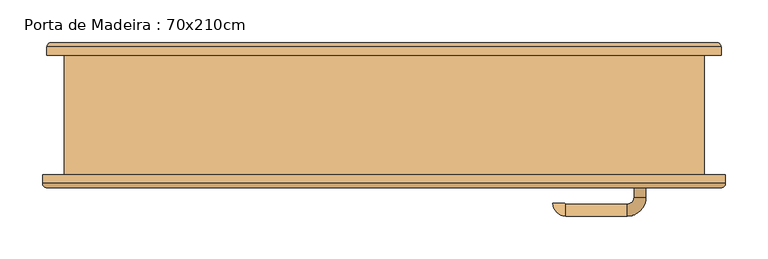
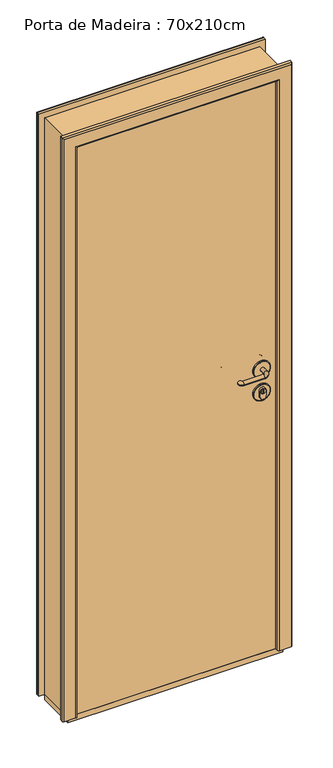
"""IFC4 building model written with IfcOpenShell, lengths in millimetres: door geometry, Porta de Madeira : 70x210cm."""

from ifc_helpers import new_model, si_unit, point, frame, origin, origin_with_axes, place, context, project, spatial, polyline, circle_curve, ellipse_curve, trimmed, outline, extrude, faceted_brep, source, transform, mapped, element, save
from ifc_brep_helpers import plane_surface, cylinder_surface, revolved_surface, advanced_brep


def porta_de_madeira_70x210cm_5615968f(model_context):
    return source(origin(), model_context, "Body", "SolidModel", [
        advanced_brep(
        [(293.0, -14.0, 1050.0), (293.0, -34.0, 1050.0), (307.0, -34.0, 1050.0), (307.0, -14.0, 1050.0), (285.0, 8.0, 1050.0), (285.0, -6.0, 1050.0), (213.0, 8.0, 1050.0), (213.0, -6.0, 1050.0), (212.0, -7.0, 1050.0), (198.0, -7.0, 1050.0), (271.0897225, -34.0, 1049.3126953), (327.0897225, -34.0, 1049.3126953), (329.0897225, -40.0, 1049.3126953), (269.0897225, -40.0, 1049.3126953), (329.0897225, -36.0, 1049.3126953), (269.0897225, -36.0, 1049.3126953)],
        [
            (0, 1),
            (1, 2, circle_curve(frame((300.0, -34.0, 1050.0), z_axis=(0.0, 1.0, 0.0), x_axis=(1.0, 0.0, 0.0)), 7.0)),
            (2, 3),
            (3, 0, circle_curve(frame((300.0, -14.0, 1050.0), z_axis=(0.0, -1.0, 0.0), x_axis=(1.0, 0.0, 0.0)), 7.0)),
            (2, 1, circle_curve(frame((300.0, -34.0, 1050.0), z_axis=(0.0, 1.0, 0.0), x_axis=(1.0, 0.0, 0.0)), 7.0)),
            (0, 3, circle_curve(frame((300.0, -14.0, 1050.0), z_axis=(0.0, -1.0, 0.0), x_axis=(1.0, 0.0, 0.0)), 7.0)),
            (3, 4, circle_curve(frame((285.0, -14.0, 1050.0), z_axis=(0.0, 0.0, 1.0), x_axis=(1.0, 0.0, 0.0)), 22.0)),
            (4, 5, circle_curve(frame((285.0, 1.0, 1050.0), z_axis=(1.0, 0.0, 0.0), x_axis=(0.0, 1.0, 0.0)), 7.0)),
            (5, 0, circle_curve(frame((285.0, -14.0, 1050.0), z_axis=(0.0, 0.0, -1.0), x_axis=(1.0, 0.0, 0.0)), 8.0)),
            (5, 4, circle_curve(frame((285.0, 1.0, 1050.0), z_axis=(1.0, 0.0, 0.0), x_axis=(0.0, 1.0, 0.0)), 7.0)),
            (4, 6),
            (6, 7, circle_curve(frame((213.0, 1.0, 1050.0), z_axis=(1.0, 0.0, 0.0), x_axis=(0.0, 1.0, 0.0)), 7.0)),
            (7, 5),
            (7, 6, circle_curve(frame((213.0, 1.0, 1050.0), z_axis=(1.0, 0.0, 0.0), x_axis=(0.0, 1.0, 0.0)), 7.0)),
            (8, 9, circle_curve(frame((205.0, -7.0, 1050.0), z_axis=(0.0, -1.0, 0.0), x_axis=(-1.0, 0.0, 0.0)), 7.0)),
            (9, 8, circle_curve(frame((205.0, -7.0, 1050.0), z_axis=(0.0, -1.0, 0.0), x_axis=(-1.0, 0.0, 0.0)), 7.0)),
            (6, 9, circle_curve(frame((213.0, -7.0, 1050.0), z_axis=(0.0, 0.0, 1.0), x_axis=(0.0, 1.0, 0.0)), 15.0)),
            (8, 7, circle_curve(frame((213.0, -7.0, 1050.0), z_axis=(0.0, 0.0, -1.0), x_axis=(0.0, 1.0, 0.0)), 1.0)),
            (10, 11, circle_curve(frame((299.0897225, -34.0, 1049.3126953), z_axis=(0.0, 1.0, 0.0), x_axis=(-1.0, 0.0, 0.0)), 28.0)),
            (11, 10, circle_curve(frame((299.0897225, -34.0, 1049.3126953), z_axis=(0.0, 1.0, 0.0), x_axis=(1.0, 0.0, 0.0)), 28.0)),
            (12, 13, circle_curve(frame((299.0897225, -40.0, 1049.3126953), z_axis=(0.0, -1.0, 0.0), x_axis=(-1.0, 0.0, 0.0)), 30.0)),
            (13, 12, circle_curve(frame((299.0897225, -40.0, 1049.3126953), z_axis=(0.0, -1.0, 0.0), x_axis=(-1.0, 0.0, 0.0)), 30.0)),
            (12, 14),
            (14, 15, circle_curve(frame((299.0897225, -36.0, 1049.3126953), z_axis=(0.0, -1.0, 0.0), x_axis=(-1.0, 0.0, 0.0)), 30.0)),
            (15, 13),
            (15, 14, circle_curve(frame((299.0897225, -36.0, 1049.3126953), z_axis=(0.0, -1.0, 0.0), x_axis=(-1.0, 0.0, 0.0)), 30.0)),
            (11, 14, circle_curve(frame((327.0897225, -36.0, 1049.3126953), z_axis=(0.0, 0.0, -1.0), x_axis=(1.0, 0.0, 0.0)), 2.0)),
            (15, 10, circle_curve(frame((271.0897225, -36.0, 1049.3126953), z_axis=(0.0, 0.0, -1.0), x_axis=(-1.0, 0.0, 0.0)), 2.0)),
        ],
        [
            cylinder_surface(frame((300.0, -40.0, 1050.0), z_axis=(0.0, -1.0, 0.0), x_axis=(1.0, 0.0, 0.0)), 7.0),
            revolved_surface(trimmed(ellipse_curve(frame((300.0, -14.0, 1050.0), z_axis=(0.0, 1.0, 0.0), x_axis=(1.0, 0.0, 0.0)), 7.0, 7.0), [point((293.0, -14.0, 1050.0))], [point((307.0, -14.0, 1050.0))], True, "CARTESIAN"), (285.0, -14.0, 1050.0), (0.0, 0.0, -1.0)),
            revolved_surface(trimmed(ellipse_curve(frame((300.0, -14.0, 1050.0), z_axis=(0.0, 1.0, 0.0), x_axis=(1.0, 0.0, 0.0)), 7.0, 7.0), [point((307.0, -14.0, 1050.0))], [point((293.0, -14.0, 1050.0))], True, "CARTESIAN"), (285.0, -14.0, 1050.0), (0.0, 0.0, -1.0)),
            cylinder_surface(frame((285.0, 1.0, 1050.0), z_axis=(1.0, 0.0, 0.0), x_axis=(0.0, 1.0, 0.0)), 7.0),
            plane_surface(frame((205.0, -7.0, 1050.0), z_axis=(0.0, -1.0, 0.0), x_axis=(0.0, 0.0, 1.0))),
            revolved_surface(trimmed(ellipse_curve(frame((213.0, 1.0, 1050.0), z_axis=(-1.0, 0.0, 0.0), x_axis=(0.0, 1.0, 0.0)), 7.0, 7.0), [point((213.0, -6.0, 1050.0))], [point((213.0, 8.0, 1050.0))], True, "CARTESIAN"), (213.0, -7.0, 1050.0), (0.0, 0.0, -1.0)),
            revolved_surface(trimmed(ellipse_curve(frame((213.0, 1.0, 1050.0), z_axis=(-1.0, 0.0, 0.0), x_axis=(0.0, 1.0, 0.0)), 7.0, 7.0), [point((213.0, 8.0, 1050.0))], [point((213.0, -6.0, 1050.0))], True, "CARTESIAN"), (213.0, -7.0, 1050.0), (0.0, 0.0, -1.0)),
            plane_surface(frame((269.0897225, -34.0, 1049.3126953), z_axis=(0.0, 1.0, 0.0), x_axis=(0.0, 0.0, -1.0))),
            plane_surface(frame((269.0897225, -40.0, 1049.3126953), z_axis=(0.0, -1.0, 0.0), x_axis=(0.0, 0.0, 1.0))),
            cylinder_surface(frame((299.0897225, -40.0, 1049.3126953), z_axis=(0.0, 1.0, 0.0), x_axis=(-1.0, 0.0, 0.0)), 30.0),
            revolved_surface(trimmed(ellipse_curve(frame((327.0897225, -36.0, 1049.3126953), z_axis=(0.0, 0.0, -1.0), x_axis=(1.0, 0.0, 0.0)), 2.0, 2.0), [point((327.0897225, -34.0, 1049.3126953))], [point((329.0897225, -36.0, 1049.3126953))], True, "CARTESIAN"), (299.0897225, -40.0, 1049.3126953), (0.0, -1.0, 0.0)),
            revolved_surface(trimmed(ellipse_curve(frame((271.0897225, -36.0, 1049.3126953), z_axis=(0.0, 0.0, 1.0), x_axis=(-1.0, 0.0, 0.0)), 2.0, 2.0), [point((271.0897225, -34.0, 1049.3126953))], [point((269.0897225, -36.0, 1049.3126953))], True, "CARTESIAN"), (299.0897225, -40.0, 1049.3126953), (0.0, -1.0, 0.0)),
        ],
        [
            (0, [[1, 2, 3, 4]]),
            (0, [[-3, 5, -1, 6]]),
            (1, [[7, 8, 9, -4]]),
            (2, [[-9, 10, -7, -6]]),
            (3, [[11, 12, 13, -8]]),
            (3, [[-13, 14, -11, -10]]),
            (4, [[15, 16]]),
            (5, [[17, -15, 18, -12]]),
            (6, [[-18, -16, -17, -14]]),
            (7, [[19, 20], [-5, -2]]),
            (8, [[21, 22]]),
            (9, [[23, 24, 25, -21]]),
            (9, [[-25, 26, -23, -22]]),
            (10, [[-20, 27, -26, 28]]),
            (11, [[-24, -27, -19, -28]]),
        ],
    ),
        advanced_brep(
        [(271.0897225, -34.0, 964.9710055), (327.0897225, -34.0, 964.9710055), (289.0897225, -34.0, 974.9710055), (289.0897225, -34.0, 954.9710055), (309.0897225, -34.0, 954.9710055), (309.0897225, -34.0, 974.9710055), (298.0897225, -34.0, 980.9710055), (300.0897225, -34.0, 980.9710055), (300.0897225, -34.0, 968.9710055), (298.0897225, -34.0, 968.9710055), (329.0897225, -40.0, 964.9710055), (269.0897225, -40.0, 964.9710055), (269.0897225, -36.0, 964.9710055), (329.0897225, -36.0, 964.9710055), (309.0897225, -27.5, 974.9710055), (309.0897225, -27.5, 954.9710055), (289.0897225, -27.5, 954.9710055), (289.0897225, -27.5, 974.9710055), (290.5897225, -27.5, 974.9710055), (307.5897225, -27.5, 974.9710055), (298.0897225, -25.0, 968.9710055), (298.0897225, -25.0, 980.9710055), (300.0897225, -25.0, 980.9710055), (300.0897225, -25.0, 968.9710055), (307.5897225, -25.0, 974.9710055), (290.5897225, -25.0, 974.9710055)],
        [
            (0, 1, circle_curve(frame((299.0897225, -34.0, 964.9710055), z_axis=(0.0, 1.0, 0.0), x_axis=(-1.0, 0.0, 0.0)), 28.0)),
            (1, 0, circle_curve(frame((299.0897225, -34.0, 964.9710055), z_axis=(0.0, 1.0, 0.0), x_axis=(1.0, 0.0, 0.0)), 28.0)),
            (2, 3),
            (3, 4, circle_curve(frame((299.0897225, -34.0, 954.9710055), z_axis=(0.0, -1.0, 0.0), x_axis=(-1.0, 0.0, 0.0)), 10.0)),
            (4, 5),
            (5, 2, circle_curve(frame((299.0897225, -34.0, 974.9710055), z_axis=(0.0, -1.0, 0.0), x_axis=(-1.0, 0.0, 0.0)), 10.0)),
            (6, 7),
            (7, 8),
            (8, 9),
            (9, 6),
            (10, 11, circle_curve(frame((299.0897225, -40.0, 964.9710055), z_axis=(0.0, -1.0, 0.0), x_axis=(-1.0, 0.0, 0.0)), 30.0)),
            (11, 10, circle_curve(frame((299.0897225, -40.0, 964.9710055), z_axis=(0.0, -1.0, 0.0), x_axis=(-1.0, 0.0, 0.0)), 30.0)),
            (11, 12),
            (12, 13, circle_curve(frame((299.0897225, -36.0, 964.9710055), z_axis=(0.0, -1.0, 0.0), x_axis=(-1.0, 0.0, 0.0)), 30.0)),
            (13, 10),
            (13, 12, circle_curve(frame((299.0897225, -36.0, 964.9710055), z_axis=(0.0, -1.0, 0.0), x_axis=(-1.0, 0.0, 0.0)), 30.0)),
            (1, 13, circle_curve(frame((327.0897225, -36.0, 964.9710055), z_axis=(0.0, 0.0, -1.0), x_axis=(1.0, 0.0, 0.0)), 2.0)),
            (12, 0, circle_curve(frame((271.0897225, -36.0, 964.9710055), z_axis=(0.0, 0.0, -1.0), x_axis=(-1.0, 0.0, 0.0)), 2.0)),
            (14, 15),
            (15, 16, circle_curve(frame((299.0897225, -27.5, 954.9710055), z_axis=(0.0, 1.0, 0.0), x_axis=(-1.0, 0.0, 0.0)), 10.0)),
            (16, 17),
            (17, 14, circle_curve(frame((299.0897225, -27.5, 974.9710055), z_axis=(0.0, 1.0, 0.0), x_axis=(-1.0, 0.0, 0.0)), 10.0)),
            (18, 19, circle_curve(frame((299.0897225, -27.5, 974.9710055), z_axis=(0.0, -1.0, 0.0), x_axis=(-1.0, 0.0, 0.0)), 8.5)),
            (19, 18, circle_curve(frame((299.0897225, -27.5, 974.9710055), z_axis=(0.0, -1.0, 0.0), x_axis=(-1.0, 0.0, 0.0)), 8.5)),
            (9, 20),
            (20, 21),
            (21, 6),
            (21, 22),
            (22, 7),
            (22, 23),
            (23, 8),
            (23, 20),
            (17, 2),
            (5, 14),
            (16, 3),
            (15, 4),
            (24, 25, circle_curve(frame((299.0897225, -25.0, 974.9710055), z_axis=(0.0, 1.0, 0.0), x_axis=(-1.0, 0.0, 0.0)), 8.5)),
            (25, 24, circle_curve(frame((299.0897225, -25.0, 974.9710055), z_axis=(0.0, 1.0, 0.0), x_axis=(-1.0, 0.0, 0.0)), 8.5)),
            (25, 18),
            (19, 24),
        ],
        [
            plane_surface(frame((269.0897225, -34.0, 964.9710055), z_axis=(0.0, 1.0, 0.0), x_axis=(0.0, 0.0, -1.0))),
            plane_surface(frame((269.0897225, -40.0, 964.9710055), z_axis=(0.0, -1.0, 0.0), x_axis=(0.0, 0.0, 1.0))),
            cylinder_surface(frame((299.0897225, -40.0, 964.9710055), z_axis=(0.0, 1.0, 0.0), x_axis=(-1.0, 0.0, 0.0)), 30.0),
            revolved_surface(trimmed(ellipse_curve(frame((327.0897225, -36.0, 964.9710055), z_axis=(0.0, 0.0, -1.0), x_axis=(1.0, 0.0, 0.0)), 2.0, 2.0), [point((327.0897225, -34.0, 964.9710055))], [point((329.0897225, -36.0, 964.9710055))], True, "CARTESIAN"), (299.0897225, -40.0, 964.9710055), (0.0, -1.0, 0.0)),
            revolved_surface(trimmed(ellipse_curve(frame((271.0897225, -36.0, 964.9710055), z_axis=(0.0, 0.0, 1.0), x_axis=(-1.0, 0.0, 0.0)), 2.0, 2.0), [point((271.0897225, -34.0, 964.9710055))], [point((269.0897225, -36.0, 964.9710055))], True, "CARTESIAN"), (299.0897225, -40.0, 964.9710055), (0.0, -1.0, 0.0)),
            plane_surface(frame((298.0897225, -27.5, 980.9710055), z_axis=(0.0, 1.0, 0.0), x_axis=(0.0, 0.0, 1.0))),
            plane_surface(frame((298.0897225, -27.5, 968.9710055), z_axis=(1.0, 0.0, 0.0), x_axis=(0.0, -1.0, 0.0))),
            plane_surface(frame((298.0897225, -27.5, 980.9710055), z_axis=(0.0, 0.0, -1.0), x_axis=(0.0, -1.0, 0.0))),
            plane_surface(frame((300.0897225, -27.5, 980.9710055), z_axis=(-1.0, 0.0, 0.0), x_axis=(0.0, -1.0, 0.0))),
            plane_surface(frame((300.0897225, -27.5, 968.9710055), z_axis=(0.0, 0.0, 1.0), x_axis=(0.0, -1.0, 0.0))),
            cylinder_surface(frame((299.0897225, -40.0, 974.9710055), z_axis=(0.0, 1.0, 0.0), x_axis=(-1.0, 0.0, 0.0)), 10.0),
            plane_surface(frame((289.0897225, -27.5, 974.9710055), z_axis=(-1.0, 0.0, 0.0), x_axis=(0.0, -1.0, 0.0))),
            cylinder_surface(frame((299.0897225, -40.0, 954.9710055), z_axis=(0.0, 1.0, 0.0), x_axis=(-1.0, 0.0, 0.0)), 10.0),
            plane_surface(frame((309.0897225, -27.5, 954.9710055), z_axis=(1.0, 0.0, 0.0), x_axis=(0.0, -1.0, 0.0))),
            plane_surface(frame((298.0897225, -25.0, 980.9710055), z_axis=(0.0, 1.0, 0.0), x_axis=(0.0, 0.0, 1.0))),
            cylinder_surface(frame((299.0897225, -40.0, 974.9710055), z_axis=(0.0, 1.0, 0.0), x_axis=(-1.0, 0.0, 0.0)), 8.5),
        ],
        [
            (0, [[1, 2], [3, 4, 5, 6]]),
            (0, [[7, 8, 9, 10]]),
            (1, [[11, 12]]),
            (2, [[13, 14, 15, -12]]),
            (2, [[-15, 16, -13, -11]]),
            (3, [[-2, 17, -14, 18]]),
            (4, [[-16, -17, -1, -18]]),
            (5, [[19, 20, 21, 22], [23, 24]]),
            (6, [[25, 26, 27, -10]]),
            (7, [[28, 29, -7, -27]]),
            (8, [[30, 31, -8, -29]]),
            (9, [[-9, -31, 32, -25]]),
            (10, [[33, -6, 34, -22]]),
            (11, [[35, -3, -33, -21]]),
            (12, [[36, -4, -35, -20]]),
            (13, [[-34, -5, -36, -19]]),
            (14, [[37, 38], [-32, -30, -28, -26]]),
            (15, [[39, -24, 40, -38]]),
            (15, [[-40, -23, -39, -37]]),
        ],
    ),
        advanced_brep(
        [(293.0, -96.0, 1050.0), (307.0, -96.0, 1050.0), (307.0, -76.0, 1050.0), (293.0, -76.0, 1050.0), (285.0, -104.0, 1050.0), (285.0, -118.0, 1050.0), (213.0, -104.0, 1050.0), (213.0, -118.0, 1050.0), (212.0, -103.0, 1050.0), (198.0, -103.0, 1050.0), (271.0897225, -76.0, 1049.3126953), (327.0897225, -76.0, 1049.3126953), (329.0897225, -70.0, 1049.3126953), (269.0897225, -70.0, 1049.3126953), (269.0897225, -74.0, 1049.3126953), (329.0897225, -74.0, 1049.3126953)],
        [
            (0, 1, circle_curve(frame((300.0, -96.0, 1050.0), z_axis=(0.0, 1.0, 0.0), x_axis=(1.0, 0.0, 0.0)), 7.0)),
            (1, 2),
            (2, 3, circle_curve(frame((300.0, -76.0, 1050.0), z_axis=(0.0, -1.0, 0.0), x_axis=(1.0, 0.0, 0.0)), 7.0)),
            (3, 0),
            (1, 0, circle_curve(frame((300.0, -96.0, 1050.0), z_axis=(0.0, 1.0, 0.0), x_axis=(1.0, 0.0, 0.0)), 7.0)),
            (3, 2, circle_curve(frame((300.0, -76.0, 1050.0), z_axis=(0.0, -1.0, 0.0), x_axis=(1.0, 0.0, 0.0)), 7.0)),
            (0, 4, circle_curve(frame((285.0, -96.0, 1050.0), z_axis=(0.0, 0.0, -1.0), x_axis=(1.0, 0.0, 0.0)), 8.0)),
            (4, 5, circle_curve(frame((285.0, -111.0, 1050.0), z_axis=(1.0, 0.0, 0.0), x_axis=(0.0, -1.0, 0.0)), 7.0)),
            (5, 1, circle_curve(frame((285.0, -96.0, 1050.0), z_axis=(0.0, 0.0, 1.0), x_axis=(1.0, 0.0, 0.0)), 22.0)),
            (5, 4, circle_curve(frame((285.0, -111.0, 1050.0), z_axis=(1.0, 0.0, 0.0), x_axis=(0.0, -1.0, 0.0)), 7.0)),
            (4, 6),
            (6, 7, circle_curve(frame((213.0, -111.0, 1050.0), z_axis=(1.0, 0.0, 0.0), x_axis=(0.0, -1.0, 0.0)), 7.0)),
            (7, 5),
            (7, 6, circle_curve(frame((213.0, -111.0, 1050.0), z_axis=(1.0, 0.0, 0.0), x_axis=(0.0, -1.0, 0.0)), 7.0)),
            (8, 9, circle_curve(frame((205.0, -103.0, 1050.0), z_axis=(0.0, 1.0, 0.0), x_axis=(-1.0, 0.0, 0.0)), 7.0)),
            (9, 8, circle_curve(frame((205.0, -103.0, 1050.0), z_axis=(0.0, 1.0, 0.0), x_axis=(-1.0, 0.0, 0.0)), 7.0)),
            (6, 8, circle_curve(frame((213.0, -103.0, 1050.0), z_axis=(0.0, 0.0, -1.0), x_axis=(0.0, -1.0, 0.0)), 1.0)),
            (9, 7, circle_curve(frame((213.0, -103.0, 1050.0), z_axis=(0.0, 0.0, 1.0), x_axis=(0.0, -1.0, 0.0)), 15.0)),
            (10, 11, circle_curve(frame((299.0897225, -76.0, 1049.3126953), z_axis=(0.0, -1.0, 0.0), x_axis=(1.0, 0.0, 0.0)), 28.0)),
            (11, 10, circle_curve(frame((299.0897225, -76.0, 1049.3126953), z_axis=(0.0, -1.0, 0.0), x_axis=(-1.0, 0.0, 0.0)), 28.0)),
            (12, 13, circle_curve(frame((299.0897225, -70.0, 1049.3126953), z_axis=(0.0, 1.0, 0.0), x_axis=(-1.0, 0.0, 0.0)), 30.0)),
            (13, 12, circle_curve(frame((299.0897225, -70.0, 1049.3126953), z_axis=(0.0, 1.0, 0.0), x_axis=(-1.0, 0.0, 0.0)), 30.0)),
            (13, 14),
            (14, 15, circle_curve(frame((299.0897225, -74.0, 1049.3126953), z_axis=(0.0, 1.0, 0.0), x_axis=(-1.0, 0.0, 0.0)), 30.0)),
            (15, 12),
            (15, 14, circle_curve(frame((299.0897225, -74.0, 1049.3126953), z_axis=(0.0, 1.0, 0.0), x_axis=(-1.0, 0.0, 0.0)), 30.0)),
            (10, 14, circle_curve(frame((271.0897225, -74.0, 1049.3126953), z_axis=(0.0, 0.0, -1.0), x_axis=(-1.0, 0.0, 0.0)), 2.0)),
            (15, 11, circle_curve(frame((327.0897225, -74.0, 1049.3126953), z_axis=(0.0, 0.0, -1.0), x_axis=(1.0, 0.0, 0.0)), 2.0)),
        ],
        [
            cylinder_surface(frame((300.0, -70.0, 1050.0), z_axis=(0.0, 1.0, 0.0), x_axis=(1.0, 0.0, 0.0)), 7.0),
            revolved_surface(trimmed(ellipse_curve(frame((300.0, -96.0, 1050.0), z_axis=(0.0, 1.0, 0.0), x_axis=(1.0, 0.0, 0.0)), 7.0, 7.0), [point((293.0, -96.0, 1050.0))], [point((307.0, -96.0, 1050.0))], True, "CARTESIAN"), (285.0, -96.0, 1050.0), (0.0, 0.0, -1.0)),
            revolved_surface(trimmed(ellipse_curve(frame((300.0, -96.0, 1050.0), z_axis=(0.0, 1.0, 0.0), x_axis=(1.0, 0.0, 0.0)), 7.0, 7.0), [point((307.0, -96.0, 1050.0))], [point((293.0, -96.0, 1050.0))], True, "CARTESIAN"), (285.0, -96.0, 1050.0), (0.0, 0.0, -1.0)),
            cylinder_surface(frame((285.0, -111.0, 1050.0), z_axis=(1.0, 0.0, 0.0), x_axis=(0.0, -1.0, 0.0)), 7.0),
            plane_surface(frame((205.0, -103.0, 1050.0), z_axis=(0.0, 1.0, 0.0), x_axis=(0.0, 0.0, 1.0))),
            revolved_surface(trimmed(ellipse_curve(frame((213.0, -111.0, 1050.0), z_axis=(1.0, 0.0, 0.0), x_axis=(0.0, -1.0, 0.0)), 7.0, 7.0), [point((213.0, -104.0, 1050.0))], [point((213.0, -118.0, 1050.0))], True, "CARTESIAN"), (213.0, -103.0, 1050.0), (0.0, 0.0, -1.0)),
            revolved_surface(trimmed(ellipse_curve(frame((213.0, -111.0, 1050.0), z_axis=(1.0, 0.0, 0.0), x_axis=(0.0, -1.0, 0.0)), 7.0, 7.0), [point((213.0, -118.0, 1050.0))], [point((213.0, -104.0, 1050.0))], True, "CARTESIAN"), (213.0, -103.0, 1050.0), (0.0, 0.0, -1.0)),
            plane_surface(frame((269.0897225, -76.0, 1049.3126953), z_axis=(0.0, -1.0, 0.0), x_axis=(0.0, 0.0, -1.0))),
            plane_surface(frame((269.0897225, -70.0, 1049.3126953), z_axis=(0.0, 1.0, 0.0), x_axis=(0.0, 0.0, 1.0))),
            cylinder_surface(frame((299.0897225, -70.0, 1049.3126953), z_axis=(0.0, -1.0, 0.0), x_axis=(-1.0, 0.0, 0.0)), 30.0),
            revolved_surface(trimmed(ellipse_curve(frame((327.0897225, -74.0, 1049.3126953), z_axis=(0.0, 0.0, 1.0), x_axis=(1.0, 0.0, 0.0)), 2.0, 2.0), [point((327.0897225, -76.0, 1049.3126953))], [point((329.0897225, -74.0, 1049.3126953))], True, "CARTESIAN"), (299.0897225, -70.0, 1049.3126953), (0.0, 1.0, 0.0)),
            revolved_surface(trimmed(ellipse_curve(frame((271.0897225, -74.0, 1049.3126953), z_axis=(0.0, 0.0, -1.0), x_axis=(-1.0, 0.0, 0.0)), 2.0, 2.0), [point((271.0897225, -76.0, 1049.3126953))], [point((269.0897225, -74.0, 1049.3126953))], True, "CARTESIAN"), (299.0897225, -70.0, 1049.3126953), (0.0, 1.0, 0.0)),
        ],
        [
            (0, [[1, 2, 3, 4]]),
            (0, [[5, -4, 6, -2]]),
            (1, [[-1, 7, 8, 9]]),
            (2, [[-5, -9, 10, -7]]),
            (3, [[-8, 11, 12, 13]]),
            (3, [[-10, -13, 14, -11]]),
            (4, [[15, 16]]),
            (5, [[-12, 17, -16, 18]]),
            (6, [[-14, -18, -15, -17]]),
            (7, [[19, 20], [-3, -6]]),
            (8, [[21, 22]]),
            (9, [[-22, 23, 24, 25]]),
            (9, [[-21, -25, 26, -23]]),
            (10, [[27, -26, 28, -19]]),
            (11, [[-27, -20, -28, -24]]),
        ],
    ),
        advanced_brep(
        [(271.0897225, -76.0, 964.9710055), (327.0897225, -76.0, 964.9710055), (289.0897225, -76.0, 974.9710055), (309.0897225, -76.0, 974.9710055), (309.0897225, -76.0, 954.9710055), (289.0897225, -76.0, 954.9710055), (298.0897225, -76.0, 980.9710055), (298.0897225, -76.0, 968.9710055), (300.0897225, -76.0, 968.9710055), (300.0897225, -76.0, 980.9710055), (329.0897225, -70.0, 964.9710055), (269.0897225, -70.0, 964.9710055), (329.0897225, -74.0, 964.9710055), (269.0897225, -74.0, 964.9710055), (309.0897225, -82.5, 974.9710055), (289.0897225, -82.5, 974.9710055), (289.0897225, -82.5, 954.9710055), (309.0897225, -82.5, 954.9710055), (290.5897225, -82.5, 974.9710055), (307.5897225, -82.5, 974.9710055), (298.0897225, -85.0, 980.9710055), (298.0897225, -85.0, 968.9710055), (300.0897225, -85.0, 980.9710055), (300.0897225, -85.0, 968.9710055), (307.5897225, -85.0, 974.9710055), (290.5897225, -85.0, 974.9710055)],
        [
            (0, 1, circle_curve(frame((299.0897225, -76.0, 964.9710055), z_axis=(0.0, -1.0, 0.0), x_axis=(1.0, 0.0, 0.0)), 28.0)),
            (1, 0, circle_curve(frame((299.0897225, -76.0, 964.9710055), z_axis=(0.0, -1.0, 0.0), x_axis=(-1.0, 0.0, 0.0)), 28.0)),
            (2, 3, circle_curve(frame((299.0897225, -76.0, 974.9710055), z_axis=(0.0, 1.0, 0.0), x_axis=(-1.0, 0.0, 0.0)), 10.0)),
            (3, 4),
            (4, 5, circle_curve(frame((299.0897225, -76.0, 954.9710055), z_axis=(0.0, 1.0, 0.0), x_axis=(-1.0, 0.0, 0.0)), 10.0)),
            (5, 2),
            (6, 7),
            (7, 8),
            (8, 9),
            (9, 6),
            (10, 11, circle_curve(frame((299.0897225, -70.0, 964.9710055), z_axis=(0.0, 1.0, 0.0), x_axis=(-1.0, 0.0, 0.0)), 30.0)),
            (11, 10, circle_curve(frame((299.0897225, -70.0, 964.9710055), z_axis=(0.0, 1.0, 0.0), x_axis=(-1.0, 0.0, 0.0)), 30.0)),
            (10, 12),
            (12, 13, circle_curve(frame((299.0897225, -74.0, 964.9710055), z_axis=(0.0, 1.0, 0.0), x_axis=(-1.0, 0.0, 0.0)), 30.0)),
            (13, 11),
            (13, 12, circle_curve(frame((299.0897225, -74.0, 964.9710055), z_axis=(0.0, 1.0, 0.0), x_axis=(-1.0, 0.0, 0.0)), 30.0)),
            (0, 13, circle_curve(frame((271.0897225, -74.0, 964.9710055), z_axis=(0.0, 0.0, -1.0), x_axis=(-1.0, 0.0, 0.0)), 2.0)),
            (12, 1, circle_curve(frame((327.0897225, -74.0, 964.9710055), z_axis=(0.0, 0.0, -1.0), x_axis=(1.0, 0.0, 0.0)), 2.0)),
            (14, 15, circle_curve(frame((299.0897225, -82.5, 974.9710055), z_axis=(0.0, -1.0, 0.0), x_axis=(-1.0, 0.0, 0.0)), 10.0)),
            (15, 16),
            (16, 17, circle_curve(frame((299.0897225, -82.5, 954.9710055), z_axis=(0.0, -1.0, 0.0), x_axis=(-1.0, 0.0, 0.0)), 10.0)),
            (17, 14),
            (18, 19, circle_curve(frame((299.0897225, -82.5, 974.9710055), z_axis=(0.0, 1.0, 0.0), x_axis=(-1.0, 0.0, 0.0)), 8.5)),
            (19, 18, circle_curve(frame((299.0897225, -82.5, 974.9710055), z_axis=(0.0, 1.0, 0.0), x_axis=(-1.0, 0.0, 0.0)), 8.5)),
            (6, 20),
            (20, 21),
            (21, 7),
            (9, 22),
            (22, 20),
            (8, 23),
            (23, 22),
            (21, 23),
            (14, 3),
            (2, 15),
            (5, 16),
            (4, 17),
            (24, 25, circle_curve(frame((299.0897225, -85.0, 974.9710055), z_axis=(0.0, -1.0, 0.0), x_axis=(-1.0, 0.0, 0.0)), 8.5)),
            (25, 24, circle_curve(frame((299.0897225, -85.0, 974.9710055), z_axis=(0.0, -1.0, 0.0), x_axis=(-1.0, 0.0, 0.0)), 8.5)),
            (24, 19),
            (18, 25),
        ],
        [
            plane_surface(frame((269.0897225, -76.0, 964.9710055), z_axis=(0.0, -1.0, 0.0), x_axis=(0.0, 0.0, -1.0))),
            plane_surface(frame((269.0897225, -70.0, 964.9710055), z_axis=(0.0, 1.0, 0.0), x_axis=(0.0, 0.0, 1.0))),
            cylinder_surface(frame((299.0897225, -70.0, 964.9710055), z_axis=(0.0, -1.0, 0.0), x_axis=(-1.0, 0.0, 0.0)), 30.0),
            revolved_surface(trimmed(ellipse_curve(frame((327.0897225, -74.0, 964.9710055), z_axis=(0.0, 0.0, 1.0), x_axis=(1.0, 0.0, 0.0)), 2.0, 2.0), [point((327.0897225, -76.0, 964.9710055))], [point((329.0897225, -74.0, 964.9710055))], True, "CARTESIAN"), (299.0897225, -70.0, 964.9710055), (0.0, 1.0, 0.0)),
            revolved_surface(trimmed(ellipse_curve(frame((271.0897225, -74.0, 964.9710055), z_axis=(0.0, 0.0, -1.0), x_axis=(-1.0, 0.0, 0.0)), 2.0, 2.0), [point((271.0897225, -76.0, 964.9710055))], [point((269.0897225, -74.0, 964.9710055))], True, "CARTESIAN"), (299.0897225, -70.0, 964.9710055), (0.0, 1.0, 0.0)),
            plane_surface(frame((298.0897225, -82.5, 980.9710055), z_axis=(0.0, -1.0, 0.0), x_axis=(0.0, 0.0, 1.0))),
            plane_surface(frame((298.0897225, -82.5, 968.9710055), z_axis=(1.0, 0.0, 0.0), x_axis=(0.0, 1.0, 0.0))),
            plane_surface(frame((298.0897225, -82.5, 980.9710055), z_axis=(0.0, 0.0, -1.0), x_axis=(0.0, 1.0, 0.0))),
            plane_surface(frame((300.0897225, -82.5, 980.9710055), z_axis=(-1.0, 0.0, 0.0), x_axis=(0.0, 1.0, 0.0))),
            plane_surface(frame((300.0897225, -82.5, 968.9710055), z_axis=(0.0, 0.0, 1.0), x_axis=(0.0, 1.0, 0.0))),
            cylinder_surface(frame((299.0897225, -70.0, 974.9710055), z_axis=(0.0, -1.0, 0.0), x_axis=(-1.0, 0.0, 0.0)), 10.0),
            plane_surface(frame((289.0897225, -82.5, 974.9710055), z_axis=(-1.0, 0.0, 0.0), x_axis=(0.0, 1.0, 0.0))),
            cylinder_surface(frame((299.0897225, -70.0, 954.9710055), z_axis=(0.0, -1.0, 0.0), x_axis=(-1.0, 0.0, 0.0)), 10.0),
            plane_surface(frame((309.0897225, -82.5, 954.9710055), z_axis=(1.0, 0.0, 0.0), x_axis=(0.0, 1.0, 0.0))),
            plane_surface(frame((298.0897225, -85.0, 980.9710055), z_axis=(0.0, -1.0, 0.0), x_axis=(0.0, 0.0, 1.0))),
            cylinder_surface(frame((299.0897225, -70.0, 974.9710055), z_axis=(0.0, -1.0, 0.0), x_axis=(-1.0, 0.0, 0.0)), 8.5),
        ],
        [
            (0, [[1, 2], [3, 4, 5, 6]]),
            (0, [[7, 8, 9, 10]]),
            (1, [[11, 12]]),
            (2, [[-11, 13, 14, 15]]),
            (2, [[-12, -15, 16, -13]]),
            (3, [[17, -14, 18, -1]]),
            (4, [[-17, -2, -18, -16]]),
            (5, [[19, 20, 21, 22], [23, 24]]),
            (6, [[-7, 25, 26, 27]]),
            (7, [[-25, -10, 28, 29]]),
            (8, [[-28, -9, 30, 31]]),
            (9, [[-27, 32, -30, -8]]),
            (10, [[-19, 33, -3, 34]]),
            (11, [[-20, -34, -6, 35]]),
            (12, [[-21, -35, -5, 36]]),
            (13, [[-22, -36, -4, -33]]),
            (14, [[37, 38], [-26, -29, -31, -32]]),
            (15, [[-37, 39, -23, 40]]),
            (15, [[-38, -40, -24, -39]]),
        ],
    ),
        advanced_brep(
        [(-345.0, 70.0, 0.0), (-395.0, 70.0, 0.0), (-395.0, 80.0, 0.0), (-390.0, 85.0, 0.0), (-350.0, 85.0, 0.0), (-345.0, 80.0, 0.0), (-345.0, 70.0, 2095.0), (345.0, 70.0, 2095.0), (345.0, 70.0, 0.0), (395.0, 70.0, 0.0), (395.0, 70.0, 2145.0), (-395.0, 70.0, 2145.0), (-395.0, 80.0, 2145.0), (-390.0, 85.0, 2140.0), (390.0, 85.0, 2140.0), (390.0, 85.0, 0.0), (350.0, 85.0, 0.0), (350.0, 85.0, 2100.0), (-350.0, 85.0, 2100.0), (-345.0, 80.0, 2095.0), (345.0, 80.0, 0.0), (395.0, 80.0, 0.0), (345.0, 80.0, 2095.0), (395.0, 80.0, 2145.0)],
        [
            (0, 1),
            (1, 2),
            (2, 3, circle_curve(frame((-390.0, 80.0, 0.0), z_axis=(0.0, 0.0, -1.0), x_axis=(0.0, 1.0, 0.0)), 5.0)),
            (3, 4),
            (4, 5, circle_curve(frame((-350.0, 80.0, 0.0), z_axis=(0.0, 0.0, -1.0), x_axis=(0.0, 1.0, 0.0)), 5.0)),
            (5, 0),
            (0, 6),
            (6, 7),
            (7, 8),
            (8, 9),
            (9, 10),
            (10, 11),
            (11, 1),
            (11, 12),
            (12, 2),
            (12, 13, ellipse_curve(frame((-390.0, 80.0, 2140.0), z_axis=(-0.7071067811865474, 0.0, -0.7071067811865476), x_axis=(0.7071067811865475, 0.0, -0.7071067811865475)), 7.0710678, 5.0)),
            (13, 3),
            (13, 14),
            (14, 15),
            (15, 16),
            (16, 17),
            (17, 18),
            (18, 4),
            (18, 19, ellipse_curve(frame((-350.0, 80.0, 2100.0), z_axis=(-0.7071067811865474, 0.0, -0.7071067811865476), x_axis=(0.7071067811865475, 0.0, -0.7071067811865475)), 7.0710678, 5.0)),
            (19, 5),
            (19, 6),
            (8, 20),
            (20, 16, circle_curve(frame((350.0, 80.0, 0.0), z_axis=(0.0, 0.0, -1.0), x_axis=(0.0, 1.0, 0.0)), 5.0)),
            (15, 21, circle_curve(frame((390.0, 80.0, 0.0), z_axis=(0.0, 0.0, -1.0), x_axis=(0.0, 1.0, 0.0)), 5.0)),
            (21, 9),
            (7, 22),
            (22, 20),
            (22, 17, ellipse_curve(frame((350.0, 80.0, 2100.0), z_axis=(0.7071067811865476, 0.0, -0.7071067811865474), x_axis=(0.7071067811865471, 0.0, 0.7071067811865478)), 7.0710678, 5.0)),
            (14, 23, ellipse_curve(frame((390.0, 80.0, 2140.0), z_axis=(0.7071067811865476, 0.0, -0.7071067811865474), x_axis=(0.7071067811865471, 0.0, 0.7071067811865478)), 7.0710678, 5.0)),
            (23, 21),
            (23, 10),
            (23, 12),
            (22, 19),
        ],
        [
            plane_surface(frame((-375.0, 70.0, 0.0), z_axis=(0.0, 0.0, -1.0), x_axis=(-1.0, 0.0, 0.0))),
            plane_surface(frame((-345.0, 70.0, 0.0), z_axis=(0.0, -1.0, 0.0), x_axis=(0.0, 0.0, 1.0))),
            plane_surface(frame((-395.0, 70.0, 0.0), z_axis=(-1.0, 0.0, 0.0), x_axis=(0.0, 0.0, 1.0))),
            cylinder_surface(frame((-390.0, 80.0, 0.0), z_axis=(0.0, 0.0, -1.0), x_axis=(0.0, 1.0, 0.0)), 5.0),
            plane_surface(frame((-390.0, 85.0, 0.0), z_axis=(0.0, 1.0, 0.0), x_axis=(0.0, 0.0, 1.0))),
            cylinder_surface(frame((-350.0, 80.0, 0.0), z_axis=(0.0, 0.0, -1.0), x_axis=(0.0, 1.0, 0.0)), 5.0),
            plane_surface(frame((-345.0, 80.0, 0.0), z_axis=(1.0, 0.0, 0.0), x_axis=(0.0, 0.0, 1.0))),
            plane_surface(frame((375.0, 70.0, 0.0), z_axis=(0.0, 0.0, -1.0), x_axis=(1.0, 0.0, 0.0))),
            plane_surface(frame((345.0, 80.0, 2095.0), z_axis=(-1.0, 0.0, 0.0), x_axis=(0.0, 0.0, -1.0))),
            cylinder_surface(frame((350.0, 80.0, 2125.0), z_axis=(0.0, 0.0, 1.0), x_axis=(0.0, 1.0, 0.0)), 5.0),
            cylinder_surface(frame((390.0, 80.0, 2125.0), z_axis=(0.0, 0.0, 1.0), x_axis=(0.0, 1.0, 0.0)), 5.0),
            plane_surface(frame((395.0, 70.0, 2145.0), z_axis=(1.0, 0.0, 0.0), x_axis=(0.0, 0.0, -1.0))),
            plane_surface(frame((-395.0, 70.0, 2145.0), z_axis=(0.0, 0.0, 1.0), x_axis=(1.0, 0.0, 0.0))),
            cylinder_surface(frame((-375.0, 80.0, 2140.0), z_axis=(-1.0, 0.0, 0.0), x_axis=(0.0, 1.0, 0.0)), 5.0),
            cylinder_surface(frame((-375.0, 80.0, 2100.0), z_axis=(-1.0, 0.0, 0.0), x_axis=(0.0, 1.0, 0.0)), 5.0),
            plane_surface(frame((-345.0, 80.0, 2095.0), z_axis=(0.0, 0.0, -1.0), x_axis=(1.0, 0.0, 0.0))),
        ],
        [
            (0, [[1, 2, 3, 4, 5, 6]]),
            (1, [[-1, 7, 8, 9, 10, 11, 12, 13]]),
            (2, [[-2, -13, 14, 15]]),
            (3, [[-3, -15, 16, 17]]),
            (4, [[-4, -17, 18, 19, 20, 21, 22, 23]]),
            (5, [[-5, -23, 24, 25]]),
            (6, [[-6, -25, 26, -7]]),
            (7, [[27, 28, -20, 29, 30, -10]]),
            (8, [[31, 32, -27, -9]]),
            (9, [[33, -21, -28, -32]]),
            (10, [[34, 35, -29, -19]]),
            (11, [[36, -11, -30, -35]]),
            (12, [[-14, -12, -36, 37]]),
            (13, [[-16, -37, -34, -18]]),
            (14, [[-24, -22, -33, 38]]),
            (15, [[-26, -38, -31, -8]]),
        ],
    ),
        advanced_brep(
        [(-400.0, -70.0, 0.0), (-350.0, -70.0, 0.0), (-350.0, -80.0, 0.0), (-355.0, -85.0, 0.0), (-395.0, -85.0, 0.0), (-400.0, -80.0, 0.0), (-400.0, -70.0, 2150.0), (400.0, -70.0, 2150.0), (400.0, -70.0, 0.0), (350.0, -70.0, 0.0), (350.0, -70.0, 2100.0), (-350.0, -70.0, 2100.0), (-350.0, -80.0, 2100.0), (-355.0, -85.0, 2105.0), (355.0, -85.0, 2105.0), (355.0, -85.0, 0.0), (395.0, -85.0, 0.0), (395.0, -85.0, 2145.0), (-395.0, -85.0, 2145.0), (-400.0, -80.0, 2150.0), (400.0, -80.0, 0.0), (350.0, -80.0, 0.0), (400.0, -80.0, 2150.0), (350.0, -80.0, 2100.0)],
        [
            (0, 1),
            (1, 2),
            (2, 3, circle_curve(frame((-355.0, -80.0, 0.0), z_axis=(0.0, 0.0, -1.0), x_axis=(0.0, 1.0, 0.0)), 5.0)),
            (3, 4),
            (4, 5, circle_curve(frame((-395.0, -80.0, 0.0), z_axis=(0.0, 0.0, -1.0), x_axis=(0.0, 1.0, 0.0)), 5.0)),
            (5, 0),
            (0, 6),
            (6, 7),
            (7, 8),
            (8, 9),
            (9, 10),
            (10, 11),
            (11, 1),
            (11, 12),
            (12, 2),
            (12, 13, ellipse_curve(frame((-355.0, -80.0, 2105.0), z_axis=(-0.7071067811865475, 0.0, -0.7071067811865476), x_axis=(0.7071067811865476, 0.0, -0.7071067811865474)), 7.0710678, 5.0)),
            (13, 3),
            (13, 14),
            (14, 15),
            (15, 16),
            (16, 17),
            (17, 18),
            (18, 4),
            (18, 19, ellipse_curve(frame((-395.0, -80.0, 2145.0), z_axis=(-0.7071067811865475, 0.0, -0.7071067811865476), x_axis=(0.7071067811865476, 0.0, -0.7071067811865474)), 7.0710678, 5.0)),
            (19, 5),
            (19, 6),
            (8, 20),
            (20, 16, circle_curve(frame((395.0, -80.0, 0.0), z_axis=(0.0, 0.0, -1.0), x_axis=(0.0, 1.0, 0.0)), 5.0)),
            (15, 21, circle_curve(frame((355.0, -80.0, 0.0), z_axis=(0.0, 0.0, -1.0), x_axis=(0.0, 1.0, 0.0)), 5.0)),
            (21, 9),
            (7, 22),
            (22, 20),
            (22, 17, ellipse_curve(frame((395.0, -80.0, 2145.0), z_axis=(0.7071067811865475, 0.0, -0.7071067811865475), x_axis=(0.7071067811865474, 0.0, 0.7071067811865477)), 7.0710678, 5.0)),
            (14, 23, ellipse_curve(frame((355.0, -80.0, 2105.0), z_axis=(0.7071067811865475, 0.0, -0.7071067811865475), x_axis=(0.7071067811865474, 0.0, 0.7071067811865477)), 7.0710678, 5.0)),
            (23, 21),
            (23, 10),
            (23, 12),
            (22, 19),
        ],
        [
            plane_surface(frame((-375.0, -70.0, 0.0), z_axis=(0.0, 0.0, -1.0), x_axis=(-1.0, 0.0, 0.0))),
            plane_surface(frame((-400.0, -70.0, 0.0), z_axis=(0.0, 1.0, 0.0), x_axis=(0.0, 0.0, 1.0))),
            plane_surface(frame((-350.0, -70.0, 0.0), z_axis=(1.0, 0.0, 0.0), x_axis=(0.0, 0.0, 1.0))),
            cylinder_surface(frame((-355.0, -80.0, 0.0), z_axis=(0.0, 0.0, -1.0), x_axis=(0.0, 1.0, 0.0)), 5.0),
            plane_surface(frame((-355.0, -85.0, 0.0), z_axis=(0.0, -1.0, 0.0), x_axis=(0.0, 0.0, 1.0))),
            cylinder_surface(frame((-395.0, -80.0, 0.0), z_axis=(0.0, 0.0, -1.0), x_axis=(0.0, 1.0, 0.0)), 5.0),
            plane_surface(frame((-400.0, -80.0, 0.0), z_axis=(-1.0, 0.0, 0.0), x_axis=(0.0, 0.0, 1.0))),
            plane_surface(frame((375.0, -70.0, 0.0), z_axis=(0.0, 0.0, -1.0), x_axis=(1.0, 0.0, 0.0))),
            plane_surface(frame((400.0, -80.0, 2150.0), z_axis=(1.0, 0.0, 0.0), x_axis=(0.0, 0.0, -1.0))),
            cylinder_surface(frame((395.0, -80.0, 2125.0), z_axis=(0.0, 0.0, 1.0), x_axis=(0.0, 1.0, 0.0)), 5.0),
            cylinder_surface(frame((355.0, -80.0, 2125.0), z_axis=(0.0, 0.0, 1.0), x_axis=(0.0, 1.0, 0.0)), 5.0),
            plane_surface(frame((350.0, -70.0, 2100.0), z_axis=(-1.0, 0.0, 0.0), x_axis=(0.0, 0.0, -1.0))),
            plane_surface(frame((-350.0, -70.0, 2100.0), z_axis=(0.0, 0.0, -1.0), x_axis=(1.0, 0.0, 0.0))),
            cylinder_surface(frame((-375.0, -80.0, 2105.0), z_axis=(-1.0, 0.0, 0.0), x_axis=(0.0, 1.0, 0.0)), 5.0),
            cylinder_surface(frame((-375.0, -80.0, 2145.0), z_axis=(-1.0, 0.0, 0.0), x_axis=(0.0, 1.0, 0.0)), 5.0),
            plane_surface(frame((-400.0, -80.0, 2150.0), z_axis=(0.0, 0.0, 1.0), x_axis=(1.0, 0.0, 0.0))),
        ],
        [
            (0, [[1, 2, 3, 4, 5, 6]]),
            (1, [[-1, 7, 8, 9, 10, 11, 12, 13]]),
            (2, [[-2, -13, 14, 15]]),
            (3, [[-3, -15, 16, 17]]),
            (4, [[-4, -17, 18, 19, 20, 21, 22, 23]]),
            (5, [[-5, -23, 24, 25]]),
            (6, [[-6, -25, 26, -7]]),
            (7, [[27, 28, -20, 29, 30, -10]]),
            (8, [[31, 32, -27, -9]]),
            (9, [[33, -21, -28, -32]]),
            (10, [[34, 35, -29, -19]]),
            (11, [[36, -11, -30, -35]]),
            (12, [[-14, -12, -36, 37]]),
            (13, [[-16, -37, -34, -18]]),
            (14, [[-24, -22, -33, 38]]),
            (15, [[-26, -38, -31, -8]]),
        ],
    ),
        faceted_brep([(-345.0, 70.0, 0.0), (-345.0, -40.0, 0.0), (-350.0, -40.0, 0.0), (-350.0, -70.0, 0.0), (-375.0, -70.0, 0.0), (-375.0, 70.0, 0.0), (-345.0, 70.0, 2095.0), (-345.0, -40.0, 2095.0), (345.0, -40.0, 2095.0), (345.0, -40.0, 0.0), (350.0, -40.0, 0.0), (350.0, -40.0, 2100.0), (-350.0, -40.0, 2100.0), (-350.0, -70.0, 2100.0), (350.0, -70.0, 2100.0), (350.0, -70.0, 0.0), (375.0, -70.0, 0.0), (375.0, -70.0, 2125.0), (-375.0, -70.0, 2125.0), (-375.0, 70.0, 2125.0), (375.0, 70.0, 2125.0), (375.0, 70.0, 0.0), (345.0, 70.0, 0.0), (345.0, 70.0, 2095.0)], [[[0, 1, 2, 3, 4, 5]], [[1, 0, 6, 7]], [[2, 1, 7, 8, 9, 10, 11, 12]], [[3, 2, 12, 13]], [[4, 3, 13, 14, 15, 16, 17, 18]], [[5, 4, 18, 19]], [[0, 5, 19, 20, 21, 22, 23, 6]], [[8, 23, 22, 9]], [[22, 21, 16, 15, 10, 9]], [[14, 11, 10, 15]], [[20, 17, 16, 21]], [[7, 6, 23, 8]], [[13, 12, 11, 14]], [[19, 18, 17, 20]]]),
        extrude(outline(polyline([(375.0, 70.0), (375.0, -70.0), (-375.0, -70.0), (-375.0, 70.0), (375.0, 70.0)])), frame((0.0, 0.0, -20.0), z_axis=(0.0, 0.0, 1.0), x_axis=(1.0, 0.0, 0.0)), (0.0, 0.0, 1.0), 20.0),
        extrude(outline(polyline([(350.0, -70.0), (-350.0, -70.0), (-350.0, -40.0), (350.0, -40.0), (350.0, -70.0)])), origin_with_axes(), (0.0, 0.0, 1.0), 2100.0),
    ])


if __name__ == "__main__":
    model = new_model("IFC4")
    model_context = context("Model", 3, world=origin())
    ifc_project = project(units=[si_unit("LENGTHUNIT", "METRE", prefix="MILLI")], contexts=[model_context])
    site = spatial("IfcSite", under=ifc_project)
    building = spatial("IfcBuilding", under=site)
    placement = place(None, origin())
    porta_de_madeira_70x210cm_shape = porta_de_madeira_70x210cm_5615968f(model_context)
    element("IfcDoor", 1, ObjectType="Porta de Madeira : 70x210cm", at=placement, inside=building, context=model_context, shape_type="MappedRepresentation", body=[
        mapped(porta_de_madeira_70x210cm_shape, transform((0.0, 0.0, 0.0), x_axis=(1.0, 0.0, 0.0), y_axis=(0.0, 1.0, 0.0), z_axis=(0.0, 0.0, 1.0))),
    ])
    save(model, "model.ifc")
